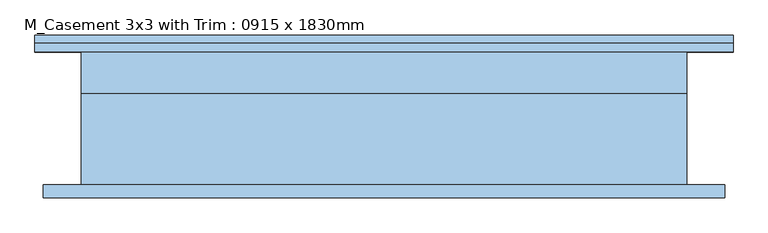
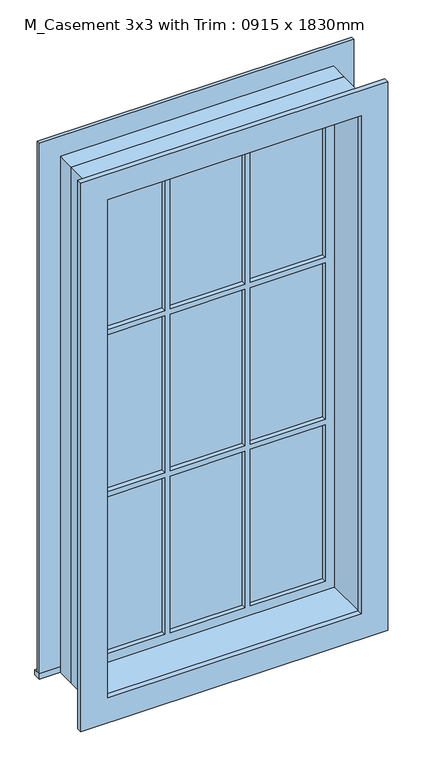
"""IFC4 building model written with IfcOpenShell, lengths in millimetres: window geometry, M_Casement 3x3 with Trim : 0915 x 1830mm."""

from ifc_helpers import new_model, si_unit, frame, origin, place, context, project, spatial, polyline, outline, extrude, source, transform, mapped, element, save


def m_casement_3x3_with_trim_0915_x_1830mm_36ae1636(model_context):
    return source(origin(), model_context, "Body", "SweptSolid", [
        extrude(outline(polyline([(-527.45, 126.2), (527.45, 126.2), (527.45, 100.5), (-527.45, 100.5), (-527.45, 126.2)])), frame((0.0, 0.0, 305.0), z_axis=(0.0, 0.0, 1.0), x_axis=(1.0, 0.0, 0.0)), (0.0, 0.0, 1.0), 19.05),
        extrude(outline(polyline([(2115.95, -438.45), (2115.95, 438.45), (324.05, 438.45), (324.05, 527.45), (2204.95, 527.45), (2204.95, -527.45), (324.05, -527.45), (324.05, -438.45), (2115.95, -438.45)])), frame((0.0, 100.5, 0.0), z_axis=(0.0, 1.0, 0.0), x_axis=(0.0, 0.0, 1.0)), (0.0, 0.0, 1.0), 13.0),
        extrude(outline(polyline([(144.0333333, 65.625), (394.0, 65.625), (394.0, 52.925), (144.0333333, 52.925), (144.0333333, 65.625)])), frame((0.0, 0.0, 1516.5333333), z_axis=(0.0, 0.0, 1.0), x_axis=(1.0, 0.0, 0.0)), (0.0, 0.0, 1.0), 554.9666667),
        extrude(outline(polyline([(-124.9833333, 65.625), (124.9833333, 65.625), (124.9833333, 52.925), (-124.9833333, 52.925), (-124.9833333, 65.625)])), frame((0.0, 0.0, 1516.5333333), z_axis=(0.0, 0.0, 1.0), x_axis=(1.0, 0.0, 0.0)), (0.0, 0.0, 1.0), 554.9666667),
        extrude(outline(polyline([(-394.0, 65.625), (-144.0333333, 65.625), (-144.0333333, 52.925), (-394.0, 52.925), (-394.0, 65.625)])), frame((0.0, 0.0, 1516.5333333), z_axis=(0.0, 0.0, 1.0), x_axis=(1.0, 0.0, 0.0)), (0.0, 0.0, 1.0), 554.9666667),
        extrude(outline(polyline([(-394.0, 65.625), (-144.0333333, 65.625), (-144.0333333, 52.925), (-394.0, 52.925), (-394.0, 65.625)])), frame((0.0, 0.0, 942.5166667), z_axis=(0.0, 0.0, 1.0), x_axis=(1.0, 0.0, 0.0)), (0.0, 0.0, 1.0), 554.9666667),
        extrude(outline(polyline([(-124.9833333, 65.625), (124.9833333, 65.625), (124.9833333, 52.925), (-124.9833333, 52.925), (-124.9833333, 65.625)])), frame((0.0, 0.0, 942.5166667), z_axis=(0.0, 0.0, 1.0), x_axis=(1.0, 0.0, 0.0)), (0.0, 0.0, 1.0), 554.9666667),
        extrude(outline(polyline([(144.0333333, 65.625), (394.0, 65.625), (394.0, 52.925), (144.0333333, 52.925), (144.0333333, 65.625)])), frame((0.0, 0.0, 942.5166667), z_axis=(0.0, 0.0, 1.0), x_axis=(1.0, 0.0, 0.0)), (0.0, 0.0, 1.0), 554.9666667),
        extrude(outline(polyline([(144.0333333, 65.625), (394.0, 65.625), (394.0, 52.925), (144.0333333, 52.925), (144.0333333, 65.625)])), frame((0.0, 0.0, 368.5), z_axis=(0.0, 0.0, 1.0), x_axis=(1.0, 0.0, 0.0)), (0.0, 0.0, 1.0), 554.9666667),
        extrude(outline(polyline([(-124.9833333, 65.625), (124.9833333, 65.625), (124.9833333, 52.925), (-124.9833333, 52.925), (-124.9833333, 65.625)])), frame((0.0, 0.0, 368.5), z_axis=(0.0, 0.0, 1.0), x_axis=(1.0, 0.0, 0.0)), (0.0, 0.0, 1.0), 554.9666667),
        extrude(outline(polyline([(-394.0, 65.625), (-144.0333333, 65.625), (-144.0333333, 52.925), (-394.0, 52.925), (-394.0, 65.625)])), frame((0.0, 0.0, 368.5), z_axis=(0.0, 0.0, 1.0), x_axis=(1.0, 0.0, 0.0)), (0.0, 0.0, 1.0), 554.9666667),
        extrude(outline(polyline([(2192.25, 514.75), (2192.25, -514.75), (247.75, -514.75), (247.75, 514.75), (2192.25, 514.75)]), holes=[polyline([(2103.25, 425.75), (336.75, 425.75), (336.75, -425.75), (2103.25, -425.75), (2103.25, 425.75)])]), frame((0.0, -119.5, 0.0), z_axis=(0.0, 1.0, 0.0), x_axis=(0.0, 0.0, 1.0)), (0.0, 0.0, 1.0), 19.0),
        extrude(outline(polyline([(2115.95, -438.45), (324.05, -438.45), (324.05, 438.45), (2115.95, 438.45), (2115.95, -438.45)]), holes=[polyline([(2071.5, -144.0333333), (1516.5333333, -144.0333333), (1516.5333333, -394.0), (2071.5, -394.0), (2071.5, -144.0333333)]), polyline([(1497.4833333, -144.0333333), (942.5166667, -144.0333333), (942.5166667, -394.0), (1497.4833333, -394.0), (1497.4833333, -144.0333333)]), polyline([(923.4666667, -144.0333333), (368.5, -144.0333333), (368.5, -394.0), (923.4666667, -394.0), (923.4666667, -144.0333333)]), polyline([(2071.5, 124.9833333), (1516.5333333, 124.9833333), (1516.5333333, -124.9833333), (2071.5, -124.9833333), (2071.5, 124.9833333)]), polyline([(1497.4833333, 124.9833333), (942.5166667, 124.9833333), (942.5166667, -124.9833333), (1497.4833333, -124.9833333), (1497.4833333, 124.9833333)]), polyline([(923.4666667, 124.9833333), (368.5, 124.9833333), (368.5, -124.9833333), (923.4666667, -124.9833333), (923.4666667, 124.9833333)]), polyline([(2071.5, 394.0), (1516.5333333, 394.0), (1516.5333333, 144.0333333), (2071.5, 144.0333333), (2071.5, 394.0)]), polyline([(1497.4833333, 394.0), (942.5166667, 394.0), (942.5166667, 144.0333333), (1497.4833333, 144.0333333), (1497.4833333, 394.0)]), polyline([(923.4666667, 394.0), (368.5, 394.0), (368.5, 144.0333333), (923.4666667, 144.0333333), (923.4666667, 394.0)])]), frame((0.0, 37.05, 0.0), z_axis=(0.0, 1.0, 0.0), x_axis=(0.0, 0.0, 1.0)), (0.0, 0.0, 1.0), 44.45),
        extrude(outline(polyline([(2135.0, -457.5), (305.0, -457.5), (305.0, 457.5), (2135.0, 457.5), (2135.0, -457.5)]), holes=[polyline([(2103.25, -425.75), (2103.25, 425.75), (336.75, 425.75), (336.75, -425.75), (2103.25, -425.75)])]), frame((0.0, -100.5, 0.0), z_axis=(0.0, 1.0, 0.0), x_axis=(0.0, 0.0, 1.0)), (0.0, 0.0, 1.0), 137.55),
        extrude(outline(polyline([(2135.0, 457.5), (2135.0, -457.5), (305.0, -457.5), (305.0, 457.5), (2135.0, 457.5)]), holes=[polyline([(2115.95, 438.45), (324.05, 438.45), (324.05, -438.45), (2115.95, -438.45), (2115.95, 438.45)])]), frame((0.0, 37.05, 0.0), z_axis=(0.0, 1.0, 0.0), x_axis=(0.0, 0.0, 1.0)), (0.0, 0.0, 1.0), 63.45),
    ])


if __name__ == "__main__":
    model = new_model("IFC4")
    model_context = context("Model", 3, world=origin())
    ifc_project = project(units=[si_unit("LENGTHUNIT", "METRE", prefix="MILLI")], contexts=[model_context])
    site = spatial("IfcSite", under=ifc_project)
    building = spatial("IfcBuilding", under=site)
    placement = place(None, origin())
    m_casement_3x3_with_trim_0915_x_1830mm_shape = m_casement_3x3_with_trim_0915_x_1830mm_36ae1636(model_context)
    element("IfcWindow", 1, ObjectType="M_Casement 3x3 with Trim : 0915 x 1830mm", at=placement, inside=building, context=model_context, shape_type="MappedRepresentation", body=[
        mapped(m_casement_3x3_with_trim_0915_x_1830mm_shape, transform((0.0, 0.0, 0.0), x_axis=(1.0, 0.0, 0.0), y_axis=(0.0, 1.0, 0.0), z_axis=(0.0, 0.0, 1.0))),
    ])
    save(model, "model.ifc")
